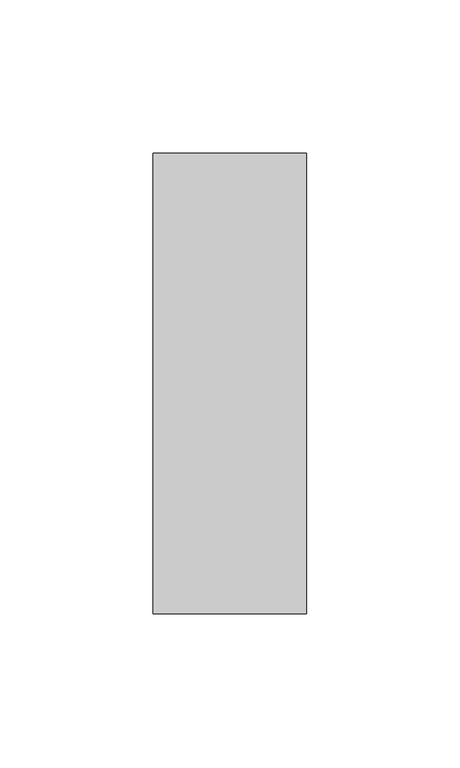
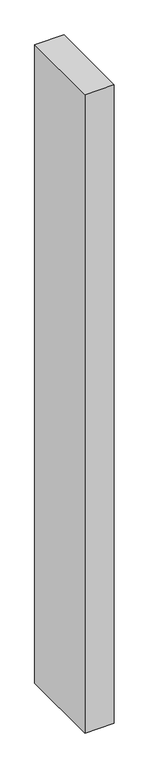
"""IFC4 building model written with IfcOpenShell, lengths in millimetres: member geometry."""

from ifc_helpers import new_model, si_unit, frame, origin, place, context, project, spatial, polyline, outline, extrude, source, transform, mapped, element, save


def member_1f1ab5e9(model_context):
    return source(origin(), model_context, "Body", "SweptSolid", [
        extrude(outline(polyline([(25.0, 75.0), (25.0, -75.0), (-25.0, -75.0), (-25.0, 75.0), (25.0, 75.0)])), frame((0.0, 0.0, -1160.0), z_axis=(0.0, 0.0, 1.0), x_axis=(1.0, 0.0, 0.0)), (0.0, 0.0, 1.0), 1160.0),
    ])


if __name__ == "__main__":
    model = new_model("IFC4")
    model_context = context("Model", 3, world=origin())
    ifc_project = project(units=[si_unit("LENGTHUNIT", "METRE", prefix="MILLI")], contexts=[model_context])
    site = spatial("IfcSite", under=ifc_project)
    building = spatial("IfcBuilding", under=site)
    placement = place(None, origin())
    member_shape = member_1f1ab5e9(model_context)
    element("IfcMember", 1, at=placement, inside=building, context=model_context, shape_type="MappedRepresentation", body=[
        mapped(member_shape, transform((0.0, 0.0, 0.0), x_axis=(1.0, 0.0, 0.0), y_axis=(0.0, 1.0, 0.0), z_axis=(0.0, 0.0, 1.0))),
    ])
    save(model, "model.ifc")
